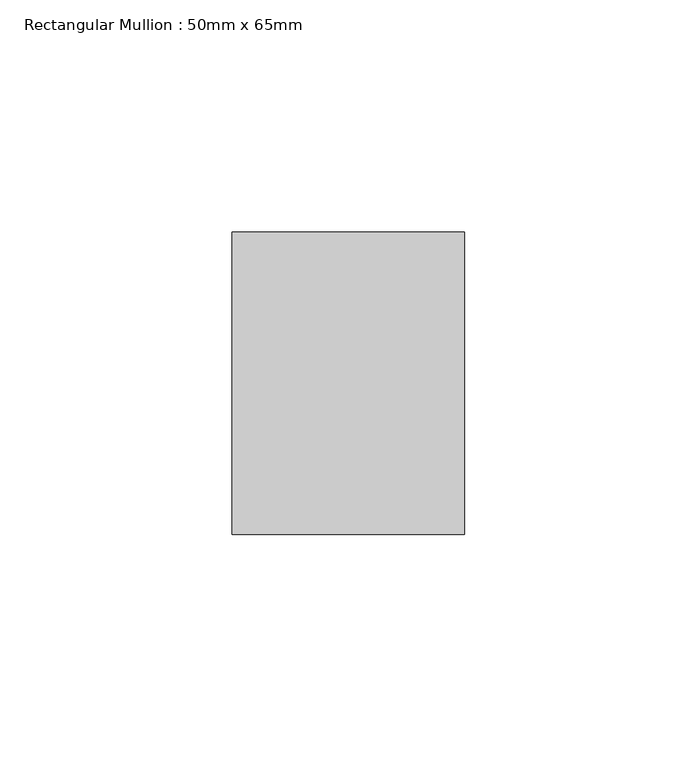
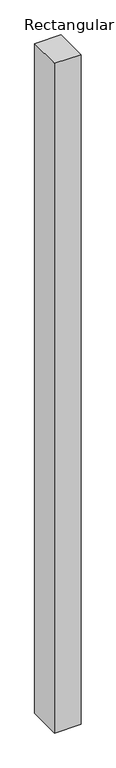
"""IFC4 building model written with IfcOpenShell, lengths in millimetres: member geometry, Rectangular Mullion : 50mm x 65mm."""

from ifc_helpers import new_model, si_unit, frame, origin, place, context, project, spatial, polyline, outline, extrude, source, transform, mapped, element, save


def rectangular_mullion_50mm_x_65mm_0f3a663f(model_context):
    return source(origin(), model_context, "Body", "SweptSolid", [
        extrude(outline(polyline([(25.0, 32.5), (25.0, -32.5), (-25.0, -32.5), (-25.0, 32.5), (25.0, 32.5)])), frame((0.0, 0.0, -1337.4792756), z_axis=(0.0, 0.0, 1.0), x_axis=(1.0, 0.0, 0.0)), (0.0, 0.0, 1.0), 1337.4792756),
    ])


if __name__ == "__main__":
    model = new_model("IFC4")
    model_context = context("Model", 3, world=origin())
    ifc_project = project(units=[si_unit("LENGTHUNIT", "METRE", prefix="MILLI")], contexts=[model_context])
    site = spatial("IfcSite", under=ifc_project)
    building = spatial("IfcBuilding", under=site)
    placement = place(None, origin())
    rectangular_mullion_50mm_x_65mm_shape = rectangular_mullion_50mm_x_65mm_0f3a663f(model_context)
    element("IfcMember", 1, ObjectType="Rectangular Mullion : 50mm x 65mm", at=placement, inside=building, context=model_context, shape_type="MappedRepresentation", body=[
        mapped(rectangular_mullion_50mm_x_65mm_shape, transform((0.0, 0.0, 0.0), x_axis=(1.0, 0.0, 0.0), y_axis=(0.0, 1.0, 0.0), z_axis=(0.0, 0.0, 1.0))),
    ])
    save(model, "model.ifc")
